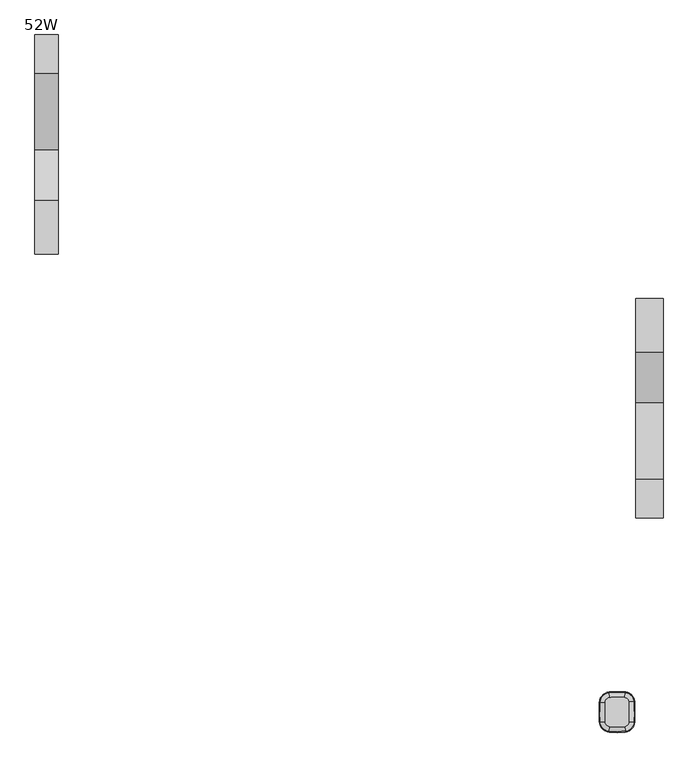
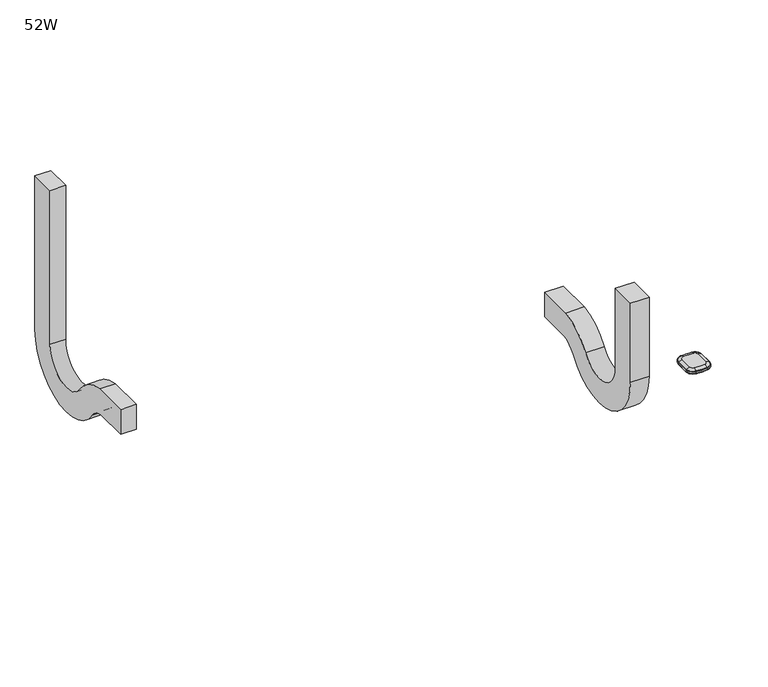
"""IFC4 building model written with IfcOpenShell, lengths in millimetres: furniture geometry, 52W."""

import ifcopenshell
import ifcopenshell.guid

model = None  # the IFC model being written
_history = None  # IfcOwnerHistory: only IFC2X3 demands one
_inside = {}  # id of a spatial element -> (the spatial element, [elements in it])
_under = {}  # id of a project, library or spatial element -> (it, [spatial elements below it])
_declared = {}  # id of a project -> (the project, [libraries it declares])
_typed = {}  # id of a type object -> (the type object, [elements of that type])
_made_of = {}  # id of a material, layer set ... -> (it, [elements and type objects made of it])


def new_model(schema):
    """Start an empty IFC model of exactly this schema.

    Asked for "IFC4X3", IfcOpenShell would pick the latest addendum, in which some entities
    have other attributes; the version numbers below select the first issue.
    IFC2X3 requires an IfcOwnerHistory on every rooted entity: one is made here for all.
    """
    global model, _history
    if schema == "IFC4X3":
        model = ifcopenshell.file(schema_version=(4, 3, 0, 0))
    else:
        model = ifcopenshell.file(schema=schema)
    _inside.clear()
    _under.clear()
    _declared.clear()
    _typed.clear()
    _made_of.clear()
    _history = None
    if model.schema == "IFC2X3":
        org = make("IfcOrganization", Name="unknown")
        user = make(
            "IfcPersonAndOrganization",
            ThePerson=make("IfcPerson", FamilyName="unknown"),
            TheOrganization=org,
        )
        app = make(
            "IfcApplication",
            ApplicationDeveloper=org,
            Version="unknown",
            ApplicationFullName="unknown",
            ApplicationIdentifier="unknown",
        )
        _history = make(
            "IfcOwnerHistory",
            OwningUser=user,
            OwningApplication=app,
            ChangeAction="ADDED",
            CreationDate=0,
        )
    return model


def make(cls, **values):
    """One entity of the class cls with the attributes given. An attribute that is None is left unset."""
    return model.create_entity(
        cls, **{name: value for name, value in values.items() if value is not None}
    )


def rooted(cls, **values):
    """An entity with a GlobalId (a new one), such as an element, a storey or a relation."""
    return make(cls, GlobalId=ifcopenshell.guid.new(), OwnerHistory=_history, **values)


def si_unit(unit_type, name, prefix=None):
    """IfcSIUnit, for example si_unit("LENGTHUNIT", "METRE", prefix="MILLI")."""
    return make("IfcSIUnit", UnitType=unit_type, Prefix=prefix, Name=name)


def assignment(units):
    """IfcUnitAssignment: the units of a project."""
    return None if units is None else make("IfcUnitAssignment", Units=units)


def point(xyz):
    """IfcCartesianPoint."""
    return None if xyz is None else make("IfcCartesianPoint", Coordinates=xyz)


def direction(xyz):
    """IfcDirection."""
    return None if xyz is None else make("IfcDirection", DirectionRatios=xyz)


def frame(location, z_axis=None, x_axis=None):
    """IfcAxis2Placement3D, a coordinate frame: its origin and axes. An axis left out is left unset."""
    return make(
        "IfcAxis2Placement3D",
        Location=point(location),
        Axis=direction(z_axis),
        RefDirection=direction(x_axis),
    )


def frame_2d(location, x_axis=None):
    """IfcAxis2Placement2D, a coordinate frame in the plane: its origin and x axis."""
    return make(
        "IfcAxis2Placement2D", Location=point(location), RefDirection=direction(x_axis)
    )


def origin():
    """The frame at (0, 0, 0) with its axes left unset."""
    return frame((0.0, 0.0, 0.0))


def place(relative_to, where):
    """IfcLocalPlacement: puts the frame where relative to a parent placement (None: the world)."""
    return make(
        "IfcLocalPlacement", PlacementRelTo=relative_to, RelativePlacement=where
    )


def context(
    kind, dimensions, precision=None, world=None, true_north=None, identifier=None
):
    """IfcGeometricRepresentationContext, for example the 3D "Model" context."""
    return make(
        "IfcGeometricRepresentationContext",
        ContextIdentifier=identifier,
        ContextType=kind,
        CoordinateSpaceDimension=dimensions,
        Precision=precision,
        WorldCoordinateSystem=world,
        TrueNorth=true_north,
    )


def project(units=None, contexts=None):
    """IfcProject with its units and contexts."""
    return rooted(
        "IfcProject",
        Name="project",
        RepresentationContexts=contexts,
        UnitsInContext=assignment(units),
    )


def spatial(cls, under=None, at=None, **own):
    """A site, building, storey or space (cls), placed at a placement, below another one or the project."""
    s = rooted(cls, ObjectPlacement=at, **own)
    if under is not None:
        _under.setdefault(under.id(), (under, []))[1].append(s)
    return s


def polyline(points):
    """IfcPolyline through the points."""
    return make("IfcPolyline", Points=[point(p) for p in points])


def circle_curve(where, radius):
    """IfcCircle in the frame where."""
    return make("IfcCircle", Position=where, Radius=radius)


def ellipse_curve(where, semi_axis1, semi_axis2):
    """IfcEllipse in the frame where."""
    return make(
        "IfcEllipse", Position=where, SemiAxis1=semi_axis1, SemiAxis2=semi_axis2
    )


def trimmed(basis, trim1, trim2, sense, master):
    """IfcTrimmedCurve: the piece of a basis curve between two trims."""
    return make(
        "IfcTrimmedCurve",
        BasisCurve=basis,
        Trim1=trim1,
        Trim2=trim2,
        SenseAgreement=sense,
        MasterRepresentation=master,
    )


def segment(curve, same_sense, transition):
    """IfcCompositeCurveSegment."""
    return make(
        "IfcCompositeCurveSegment",
        Transition=transition,
        SameSense=same_sense,
        ParentCurve=curve,
    )


def composite_curve(segments, self_intersect=None):
    """IfcCompositeCurve: segments joined end to end."""
    return make("IfcCompositeCurve", Segments=segments, SelfIntersect=self_intersect)


def outline(outer, holes=None, kind="AREA"):
    """IfcArbitraryClosedProfileDef: a profile drawn as a closed curve; with holes, ...WithVoids."""
    if holes is None:
        return make("IfcArbitraryClosedProfileDef", ProfileType=kind, OuterCurve=outer)
    return make(
        "IfcArbitraryProfileDefWithVoids",
        ProfileType=kind,
        OuterCurve=outer,
        InnerCurves=holes,
    )


def extrude(swept, where, along, depth):
    """IfcExtrudedAreaSolid: the profile swept, set in the frame where, extruded along a direction by depth."""
    return make(
        "IfcExtrudedAreaSolid",
        SweptArea=swept,
        Position=where,
        ExtrudedDirection=direction(along),
        Depth=depth,
    )


def shape(context_of_items, identifier, shape_type, items):
    """IfcShapeRepresentation: the items that make up one representation, for example the "Body"."""
    return make(
        "IfcShapeRepresentation",
        ContextOfItems=context_of_items,
        RepresentationIdentifier=identifier,
        RepresentationType=shape_type,
        Items=items,
    )


def source(mapping_origin, context_of_items, identifier, shape_type, items):
    """IfcRepresentationMap: a shape defined once, which mapped items show again and again."""
    return make(
        "IfcRepresentationMap",
        MappingOrigin=mapping_origin,
        MappedRepresentation=shape(context_of_items, identifier, shape_type, items),
    )


def transform(
    local_origin,
    x_axis=None,
    y_axis=None,
    z_axis=None,
    scale=None,
    scale2=None,
    scale3=None,
    uniform=True,
):
    """IfcCartesianTransformationOperator3D, or its non-uniform kind. x_axis, y_axis, z_axis: its Axis1, 2, 3."""
    if uniform:
        return make(
            "IfcCartesianTransformationOperator3D",
            Axis1=direction(x_axis),
            Axis2=direction(y_axis),
            LocalOrigin=point(local_origin),
            Scale=scale,
            Axis3=direction(z_axis),
        )
    return make(
        "IfcCartesianTransformationOperator3DnonUniform",
        Axis1=direction(x_axis),
        Axis2=direction(y_axis),
        LocalOrigin=point(local_origin),
        Scale=scale,
        Axis3=direction(z_axis),
        Scale2=scale2,
        Scale3=scale3,
    )


def mapped(mapping_source, mapping_target):
    """IfcMappedItem: shows the shape of a source again, moved by a transform."""
    return make(
        "IfcMappedItem", MappingSource=mapping_source, MappingTarget=mapping_target
    )


def made_of(thing, what):
    """Note that an element or type object is made of a material, layer set ...; save() writes the relation."""
    if what is not None:
        _made_of.setdefault(what.id(), (what, []))[1].append(thing)
    return thing


def element(
    cls,
    number,
    at=None,
    inside=None,
    cuts=None,
    type_object=None,
    material=None,
    context=None,
    identifier="Body",
    shape_type=None,
    held_by="IfcProductDefinitionShape",
    body=None,
    shapes=None,
    **own,
):
    """One element of the class cls, such as IfcWall. Its Tag is "e" and its number.

    at: its placement. inside: the storey or other place that contains it. cuts: it is an
    opening in that element (IfcRelVoidsElement). A single representation is given by context,
    identifier, shape_type and body (its items); several are given by shapes. held_by: the class
    of the entity that holds the representations. save() writes the other relations.
    """
    e = rooted(cls, Tag="e%d" % number, ObjectPlacement=at, **own)
    if body is not None:
        shapes = [shape(context, identifier, shape_type, body)]
    if shapes is not None:
        e.Representation = make(held_by, Representations=shapes)
    if inside is not None:
        _inside.setdefault(inside.id(), (inside, []))[1].append(e)
    if cuts is not None:
        rooted(
            "IfcRelVoidsElement", RelatingBuildingElement=cuts, RelatedOpeningElement=e
        )
    if type_object is not None:
        _typed.setdefault(type_object.id(), (type_object, []))[1].append(e)
    return made_of(e, material)


def aggregate(whole, parts):
    """IfcRelAggregates: a whole, such as a stair, and the parts it consists of."""
    return rooted("IfcRelAggregates", RelatingObject=whole, RelatedObjects=parts)


def save(model, path):
    """Write the relations noted so far, then the file.

    IfcRelAggregates (storeys below a building ...), IfcRelContainedInSpatialStructure (elements
    in a storey), IfcRelDefinesByType, IfcRelAssociatesMaterial and IfcRelDeclares: one each for
    every whole, place, type object, material and project.
    """
    for whole, parts in _under.values():
        aggregate(whole, parts)
    for where, things in _inside.values():
        rooted(
            "IfcRelContainedInSpatialStructure",
            RelatedElements=things,
            RelatingStructure=where,
        )
    for kind, things in _typed.values():
        rooted("IfcRelDefinesByType", RelatedObjects=things, RelatingType=kind)
    for what, things in _made_of.values():
        rooted("IfcRelAssociatesMaterial", RelatedObjects=things, RelatingMaterial=what)
    for by, libraries in _declared.values():
        rooted("IfcRelDeclares", RelatingContext=by, RelatedDefinitions=libraries)
    model.write(path)


def plane_surface(at):
    """IfcPlane: the flat surface through the origin of the frame at, square to its z axis."""
    return make("IfcPlane", Position=at)


def revolved_surface(curve, axis_point, axis_direction):
    """IfcSurfaceOfRevolution: the curve turned about the line through axis_point along axis_direction."""
    return make(
        "IfcSurfaceOfRevolution",
        SweptCurve=make("IfcArbitraryOpenProfileDef", ProfileType="CURVE", Curve=curve),
        AxisPosition=make("IfcAxis1Placement", Location=point(axis_point), Axis=direction(axis_direction)),
    )


def advanced_brep(points, edges, surfaces, faces):
    """IfcAdvancedBrep: a solid bounded by faces that lie on surfaces and meet in shared edges.

    An edge is (start, end): straight between two places in points (the first is 0);
    or (start, end, curve); or (start, end, curve, False) where it runs against its curve.
    A face is (place in surfaces, loops), or (place, loops, False) where it looks against
    its surface's normal. A loop lists edges by number (the first is 1), with a minus sign
    where the edge is run from its end to its start. The first loop is the outer one.
    """
    corners = [point(p) for p in points]
    vertices = [make("IfcVertexPoint", VertexGeometry=c) for c in corners]
    made = []
    for start, end, *more in edges:
        made.append(
            make(
                "IfcEdgeCurve",
                EdgeStart=vertices[start],
                EdgeEnd=vertices[end],
                EdgeGeometry=more[0] if more else make("IfcPolyline", Points=[corners[start], corners[end]]),
                SameSense=more[1] if len(more) > 1 else True,
            )
        )
    hull = []
    for where, loops, *sense in faces:
        bounds = []
        for j, loop in enumerate(loops):
            ring = [make("IfcOrientedEdge", EdgeElement=made[abs(k) - 1], Orientation=k > 0) for k in loop]
            bounds.append(
                make(
                    "IfcFaceOuterBound" if j == 0 else "IfcFaceBound",
                    Bound=make("IfcEdgeLoop", EdgeList=ring),
                    Orientation=True,
                )
            )
        hull.append(make("IfcAdvancedFace", Bounds=bounds, FaceSurface=surfaces[where], SameSense=sense[0] if sense else True))
    return make("IfcAdvancedBrep", Outer=make("IfcClosedShell", CfsFaces=hull))


def furniture_52w_cf4c58be(model_context):
    return source(origin(), model_context, "Body", "SolidModel", [
        extrude(outline(composite_curve([segment(polyline([(-362.6002405, 626.0817412), (-296.7829354, 626.0817412), (-296.7829354, 414.9770521)]), True, "CONTINUOUS"), segment(trimmed(circle_curve(frame_2d((-225.2196812, 414.9770521)), 71.5632541), [point((-296.7829354, 414.9770521))], [point((-166.1254795, 374.6140162))], True, "CARTESIAN"), True, "CONTINUOUS"), segment(trimmed(circle_curve(frame_2d((-62.1606652, 303.6030641)), 125.9016995), [point((-166.1254795, 374.6140162))], [point((-79.3250904, 428.329246))], False, "CARTESIAN"), True, "CONTINUOUS"), segment(polyline([(-79.3250904, 428.329246), (12.7, 428.329246), (12.7, 362.5119408), (-73.9876973, 362.5119408)]), True, "CONTINUOUS"), segment(trimmed(circle_curve(frame_2d((-62.1606652, 303.6030641)), 60.0843944), [point((-73.9876973, 362.5119408))], [point((-111.776063, 337.4918048))], True, "CARTESIAN"), True, "CONTINUOUS"), segment(trimmed(circle_curve(frame_2d((-225.2196812, 414.9770521)), 137.3805593), [point((-111.776063, 337.4918048))], [point((-362.6002405, 414.9770521))], False, "CARTESIAN"), True, "CONTINUOUS"), segment(polyline([(-362.6002405, 414.9770521), (-362.6002405, 626.0817412)]), True, "CONTINUOUS")], self_intersect=False)), frame((495.3, 0.0, 0.0), z_axis=(1.0, 0.0, 0.0), x_axis=(0.0, 1.0, 0.0)), (0.0, 0.0, 1.0), 47.095808),
        extrude(outline(composite_curve([segment(polyline([(398.3829354, 825.7270035), (464.2002405, 825.7270035), (464.2002405, 414.9770521)]), True, "CONTINUOUS"), segment(trimmed(circle_curve(frame_2d((326.8196812, 414.9770521)), 137.3805593), [point((464.2002405, 414.9770521))], [point((213.376063, 337.4918048))], False, "CARTESIAN"), True, "CONTINUOUS"), segment(trimmed(circle_curve(frame_2d((163.7606652, 303.6030641)), 60.0843944), [point((213.376063, 337.4918048))], [point((175.5876973, 362.5119408))], True, "CARTESIAN"), True, "CONTINUOUS"), segment(polyline([(175.5876973, 362.5119408), (88.9, 362.5119408), (88.9, 428.329246), (180.9250904, 428.329246)]), True, "CONTINUOUS"), segment(trimmed(circle_curve(frame_2d((163.7606652, 303.6030641)), 125.9016995), [point((180.9250904, 428.329246))], [point((267.7254795, 374.6140162))], False, "CARTESIAN"), True, "CONTINUOUS"), segment(trimmed(circle_curve(frame_2d((326.8196812, 414.9770521)), 71.5632541), [point((267.7254795, 374.6140162))], [point((398.3829354, 414.9770521))], True, "CARTESIAN"), True, "CONTINUOUS"), segment(polyline([(398.3829354, 414.9770521), (398.3829354, 825.7270035)]), True, "CONTINUOUS")], self_intersect=False)), frame((-532.5504395, 0.0, 0.0), z_axis=(1.0, 0.0, 0.0), x_axis=(0.0, 1.0, 0.0)), (0.0, 0.0, 1.0), 39.6623077),
        advanced_brep(
        [(477.6115374, -720.1187209, 686.2002905), (478.7543179, -727.7731833, 683.3834162), (492.2427261, -712.8735148, 683.3834162), (484.5126626, -712.4955473, 686.2002905), (493.50939, -712.9354493, 681.9527708), (478.9415762, -729.0274591, 681.9527708), (478.9660814, -729.1915975, 677.6840916), (493.6751497, -712.9435543, 677.6840916), (492.0943896, -677.2891615, 683.3834162), (484.3677458, -677.7315617, 686.2002905), (493.5261794, -677.2071824, 677.6840916), (493.3604931, -677.216669, 681.9527708), (477.9675965, -662.5236904, 683.3834162), (477.1841927, -670.2232371, 686.2002905), (478.1127656, -661.0969218, 677.6840916), (478.0959667, -661.262027, 681.9527708), (450.6358016, -662.3431655, 683.3834162), (451.3174314, -670.0523886, 686.2002905), (450.5094919, -660.9146037, 677.6840916), (450.5241084, -661.0799165, 681.9527708), (434.9085802, -678.6378217, 683.3834162), (442.6371131, -679.045891, 686.2002905), (433.4764403, -678.5622041, 677.6840916), (433.6421671, -678.5709546, 681.9527708), (434.7872101, -711.9795758, 683.3834162), (442.518509, -711.6277831, 686.2002905), (433.3545576, -712.0447649, 677.6840916), (433.5203437, -712.0372213, 681.9527708), (449.306564, -727.9163084, 683.3834162), (450.3748861, -720.2510994, 686.2002905), (449.1085979, -729.3367141, 677.6840916), (449.1315065, -729.1723451, 681.9527708), (493.3250419, -712.9264355, 676.940773), (478.914323, -728.8449139, 676.940773), (477.6115374, -720.1187209, 673.4999998), (484.5126626, -712.4955473, 673.4999998), (484.3677458, -677.7315617, 673.4999998), (493.1762266, -677.2272194, 676.940773), (477.1841927, -670.2232371, 673.4999998), (478.0772839, -661.4456474, 676.940773), (451.3174314, -670.0523886, 673.4999998), (450.540364, -661.2637676, 676.940773), (442.6371131, -679.045891, 673.4999998), (433.8264787, -678.5806863, 676.940773), (442.518509, -711.6277831, 673.4999998), (433.7047213, -712.0288317, 676.940773), (450.3748861, -720.2510994, 673.4999998), (449.1569841, -728.9895437, 676.940773)],
        [
            (0, 1),
            (1, 2, circle_curve(frame((476.4143107, -712.0995721, 683.3834162), z_axis=(0.0, 0.0, 1.0), x_axis=(0.1476594373655488, -0.9890382654664528, 0.0)), 15.8473253)),
            (2, 3),
            (3, 0, circle_curve(frame((476.4143107, -712.0995721, 686.1999998), z_axis=(0.0, 0.0, -1.0), x_axis=(0.1476594373655488, -0.9890382654664528, 0.0)), 8.1088255)),
            (4, 5, circle_curve(frame((476.4143107, -712.0995721, 681.9527708), z_axis=(0.0, 0.0, -1.0), x_axis=(0.1476594373655488, -0.9890382654664528, 0.0)), 17.1155025)),
            (5, 6, circle_curve(frame((477.3147111, -718.1305475, 679.3868597), z_axis=(0.9890382654664528, 0.14765943736554882, 0.0), x_axis=(-0.14765943736554882, 0.9890382654664528, 0.0)), 11.3125272)),
            (6, 7, circle_curve(frame((476.4143107, -712.0995721, 677.6840916), z_axis=(0.0, 0.0, 1.0), x_axis=(0.1476594373655488, -0.9890382654664528, 0.0)), 17.2814602)),
            (7, 4, circle_curve(frame((482.5048525, -712.3973739, 679.3868597), z_axis=(-0.048837433538175434, -0.9988067406087148, 0.0), x_axis=(-0.9988067406087148, 0.048837433538175434, 0.0)), 11.3125272)),
            (1, 5, circle_curve(frame((478.6529657, -727.0943157, 681.4975708), z_axis=(0.9890382654664528, 0.14765943736554882, 0.0), x_axis=(-0.14765943736554882, 0.9890382654664528, 0.0)), 2.0068747)),
            (4, 2, circle_curve(frame((491.5571536, -712.8399932, 681.4975708), z_axis=(-0.048837433538182984, -0.9988067406087143, 0.0), x_axis=(-0.9988067406087143, 0.048837433538182984, 0.0)), 2.0068747)),
            (2, 8, circle_curve(frame((156.9426653, -696.4787572, 683.3834162), z_axis=(0.0, 0.0, 1.0), x_axis=(0.9988067406087116, -0.04883743353824024, 0.0)), 335.7006387)),
            (8, 9),
            (9, 3, circle_curve(frame((156.9426653, -696.4787572, 686.1999998), z_axis=(0.0, 0.0, -1.0), x_axis=(0.9988067406087116, -0.04883743353824024, 0.0)), 327.9621389)),
            (7, 10, circle_curve(frame((156.9426653, -696.4787572, 677.6840916), z_axis=(0.0, 0.0, 1.0), x_axis=(0.9988067406087116, -0.04883743353824024, 0.0)), 337.1347736)),
            (10, 11, circle_curve(frame((482.360824, -677.8464709, 679.3868597), z_axis=(0.057162821296979055, -0.9983648691041616, 0.0), x_axis=(-0.9983648691041616, -0.057162821296979055, 0.0)), 11.3125272)),
            (11, 4, circle_curve(frame((156.9426653, -696.4787572, 681.9527708), z_axis=(0.0, 0.0, -1.0), x_axis=(0.9988067406087116, -0.04883743353824024, 0.0)), 336.9688159)),
            (11, 8, circle_curve(frame((491.4091203, -677.3283976, 681.4975708), z_axis=(0.057162821296978604, -0.9983648691041617, 0.0), x_axis=(-0.9983648691041617, -0.057162821296978604, 0.0)), 2.0068747)),
            (8, 12, circle_curve(frame((476.3736743, -678.1892738, 683.3834162), z_axis=(0.0, 0.0, 1.0), x_axis=(0.9983648691041614, 0.05716282129698137, 0.0)), 15.7464628)),
            (12, 13),
            (13, 9, circle_curve(frame((476.3736743, -678.1892738, 686.1999998), z_axis=(0.0, 0.0, -1.0), x_axis=(0.9983648691041614, 0.05716282129698137, 0.0)), 8.0079629)),
            (10, 14, circle_curve(frame((476.3736743, -678.1892738, 677.6840916), z_axis=(0.0, 0.0, 1.0), x_axis=(0.9983648691041614, 0.05716282129698137, 0.0)), 17.1805977)),
            (14, 15, circle_curve(frame((476.980711, -672.2231208, 679.3868597), z_axis=(0.9948636454160275, -0.10122414252308043, 0.0), x_axis=(-0.10122414252308043, -0.9948636454160275, 0.0)), 11.3125272)),
            (15, 11, circle_curve(frame((476.3736743, -678.1892738, 681.9527708), z_axis=(0.0, 0.0, -1.0), x_axis=(0.9983648691041614, 0.05716282129698137, 0.0)), 17.01464)),
            (15, 12, circle_curve(frame((477.8981171, -663.2065564, 681.4975708), z_axis=(0.9948636454160269, -0.10122414252308576, 0.0), x_axis=(-0.10122414252308576, -0.9948636454160269, 0.0)), 2.0068747)),
            (12, 16, circle_curve(frame((463.3523463, -806.1671014, 683.3834162), z_axis=(0.0, 0.0, 1.0), x_axis=(0.10122414252308336, 0.9948636454160271, 0.0)), 144.3850237)),
            (16, 17),
            (17, 13, circle_curve(frame((463.3523463, -806.1671014, 686.1999998), z_axis=(0.0, 0.0, -1.0), x_axis=(0.10122414252308336, 0.9948636454160271, 0.0)), 136.6465238)),
            (14, 18, circle_curve(frame((463.3523463, -806.1671014, 677.6840916), z_axis=(0.0, 0.0, 1.0), x_axis=(0.10122414252308336, 0.9948636454160271, 0.0)), 145.8191585)),
            (18, 19, circle_curve(frame((451.4944783, -672.0547856, 679.3868597), z_axis=(0.996113947934043, 0.08807384816876526, 0.0), x_axis=(0.08807384816876526, -0.996113947934043, 0.0)), 11.3125272)),
            (19, 15, circle_curve(frame((463.3523463, -806.1671014, 681.9527708), z_axis=(0.0, 0.0, -1.0), x_axis=(0.10122414252308336, 0.9948636454160271, 0.0)), 145.6532009)),
            (19, 16, circle_curve(frame((450.6962548, -663.0268897, 681.4975708), z_axis=(0.9961139479340431, 0.08807384816876489, 0.0), x_axis=(0.08807384816876489, -0.9961139479340431, 0.0)), 2.0068747)),
            (16, 20, circle_curve(frame((452.1570575, -679.5485475, 683.3834162), z_axis=(0.0, 0.0, 1.0), x_axis=(-0.08807384816876603, 0.996113947934043, 0.0)), 17.2725039)),
            (20, 21),
            (21, 17, circle_curve(frame((452.1570575, -679.5485475, 686.1999998), z_axis=(0.0, 0.0, -1.0), x_axis=(-0.08807384816876603, 0.996113947934043, 0.0)), 9.534004)),
            (18, 22, circle_curve(frame((452.1570575, -679.5485475, 677.6840916), z_axis=(0.0, 0.0, 1.0), x_axis=(-0.08807384816876603, 0.996113947934043, 0.0)), 18.7066388)),
            (22, 23, circle_curve(frame((444.6445256, -679.1518831, 679.3868597), z_axis=(0.0527269152255881, 0.9986089687213878, 0.0), x_axis=(0.9986089687213878, -0.0527269152255881, 0.0)), 11.3125272)),
            (23, 19, circle_curve(frame((452.1570575, -679.5485475, 681.9527708), z_axis=(0.0, 0.0, -1.0), x_axis=(-0.08807384816876603, 0.996113947934043, 0.0)), 18.5406811)),
            (23, 20, circle_curve(frame((435.594017, -678.674013, 681.4975708), z_axis=(0.05272691522559206, 0.9986089687213877, 0.0), x_axis=(0.9986089687213877, -0.05272691522559206, 0.0)), 2.0068747)),
            (20, 24, circle_curve(frame((774.026514, -696.5433714, 683.3834162), z_axis=(0.0, 0.0, 1.0), x_axis=(-0.9986089687213847, 0.05272691522564658, 0.0)), 339.5903145)),
            (24, 25),
            (25, 21, circle_curve(frame((774.026514, -696.5433714, 686.1999998), z_axis=(0.0, 0.0, -1.0), x_axis=(-0.9986089687213847, 0.05272691522564658, 0.0)), 331.8518146)),
            (22, 26, circle_curve(frame((774.026514, -696.5433714, 677.6840916), z_axis=(0.0, 0.0, 1.0), x_axis=(-0.9986089687213847, 0.05272691522564658, 0.0)), 341.0244494)),
            (26, 27, circle_curve(frame((444.52664, -711.5364083, 679.3868597), z_axis=(-0.04545537307656789, 0.998966370334092, 0.0), x_axis=(0.998966370334092, 0.04545537307656789, 0.0)), 11.3125272)),
            (27, 23, circle_curve(frame((774.026514, -696.5433714, 681.9527708), z_axis=(0.0, 0.0, -1.0), x_axis=(-0.9986089687213847, 0.05272691522564658, 0.0)), 340.8584917)),
            (27, 24, circle_curve(frame((435.4728922, -711.9483756, 681.4975708), z_axis=(-0.045455373076567544, 0.9989663703340919, 0.0), x_axis=(0.9989663703340919, 0.045455373076567544, 0.0)), 2.0068747)),
            (24, 28, circle_curve(frame((451.6345546, -711.2129811, 683.3834162), z_axis=(0.0, 0.0, 1.0), x_axis=(-0.9989663703340921, -0.045455373076564755, 0.0)), 16.8647764)),
            (28, 29),
            (29, 25, circle_curve(frame((451.6345546, -711.2129811, 686.1999998), z_axis=(0.0, 0.0, -1.0), x_axis=(-0.9989663703340921, -0.045455373076564755, 0.0)), 9.1262765)),
            (26, 30, circle_curve(frame((451.6345546, -711.2129811, 677.6840916), z_axis=(0.0, 0.0, 1.0), x_axis=(-0.9989663703340921, -0.045455373076564755, 0.0)), 18.2989113)),
            (30, 31, circle_curve(frame((450.6523726, -718.2601347, 679.3868597), z_axis=(-0.9904268457768627, 0.13803862924737725, 0.0), x_axis=(0.13803862924737725, 0.9904268457768627, 0.0)), 11.3125272)),
            (31, 27, circle_curve(frame((451.6345546, -711.2129811, 681.9527708), z_axis=(0.0, 0.0, -1.0), x_axis=(-0.9989663703340921, -0.045455373076564755, 0.0)), 18.1329536)),
            (31, 28, circle_curve(frame((449.4013125, -727.2364878, 681.4975708), z_axis=(-0.9904268457768625, 0.13803862924737836, 0.0), x_axis=(0.13803862924737836, 0.9904268457768625, 0.0)), 2.0068747)),
            (0, 29, circle_curve(frame((463.5346182, -625.8300522, 686.1999998), z_axis=(0.0, 0.0, -1.0), x_axis=(-0.13803862924737878, -0.9904268457768624, 0.0)), 95.33449)),
            (28, 1, circle_curve(frame((463.5346182, -625.8300522, 683.3834162), z_axis=(0.0, 0.0, 1.0), x_axis=(-0.13803862924737878, -0.9904268457768624, 0.0)), 103.0729899)),
            (5, 31, circle_curve(frame((463.5346182, -625.8300522, 681.9527708), z_axis=(0.0, 0.0, -1.0), x_axis=(-0.13803862924737878, -0.9904268457768624, 0.0)), 104.3411671)),
            (30, 6, circle_curve(frame((463.5346182, -625.8300522, 677.6840916), z_axis=(0.0, 0.0, 1.0), x_axis=(-0.13803862924737878, -0.9904268457768624, 0.0)), 104.5071248)),
            (32, 33, circle_curve(frame((476.4143107, -712.0995721, 676.940773), z_axis=(0.0, 0.0, -1.0), x_axis=(0.1476594373655488, -0.9890382654664528, 0.0)), 16.9309342)),
            (33, 34, circle_curve(frame((477.761296, -721.1218192, 683.9316594), z_axis=(0.9890382654664528, 0.14765943736554882, 0.0), x_axis=(-0.14765943736554882, 0.9890382654664528, 0.0)), 10.4808471)),
            (34, 35, circle_curve(frame((476.4143107, -712.0995721, 673.4999998), z_axis=(0.0, 0.0, 1.0), x_axis=(0.1476594373655488, -0.9890382654664528, 0.0)), 8.1080269)),
            (35, 32, circle_curve(frame((485.5256682, -712.545079, 683.9316594), z_axis=(-0.04883743353810335, -0.9988067406087182, 0.0), x_axis=(-0.9988067406087182, 0.04883743353810335, 0.0)), 10.4808471)),
            (6, 33, circle_curve(frame((478.755997, -727.7844301, 677.9007148), z_axis=(0.9890382654664528, 0.14765943736554882, 0.0), x_axis=(-0.14765943736554882, 0.9890382654664528, 0.0)), 1.4391599)),
            (32, 7, circle_curve(frame((492.2540841, -712.8740702, 677.9007148), z_axis=(-0.048837433538165, -0.9988067406087151, 0.0), x_axis=(-0.9988067406087151, 0.048837433538165, 0.0)), 1.4391599)),
            (35, 36, circle_curve(frame((156.9426653, -696.4787572, 673.4999998), z_axis=(0.0, 0.0, 1.0), x_axis=(0.9988067406087116, -0.04883743353824024, 0.0)), 327.9613402)),
            (36, 37, circle_curve(frame((485.3803033, -677.6735862, 683.9316594), z_axis=(0.05716282129697852, -0.9983648691041617, 0.0), x_axis=(-0.9983648691041617, -0.05716282129697852, 0.0)), 10.4808471)),
            (37, 32, circle_curve(frame((156.9426653, -696.4787572, 676.940773), z_axis=(0.0, 0.0, -1.0), x_axis=(0.9988067406087116, -0.04883743353824024, 0.0)), 336.7842476)),
            (37, 10, circle_curve(frame((492.1057425, -677.2885115, 677.9007148), z_axis=(0.05716282129697867, -0.9983648691041617, 0.0), x_axis=(-0.9983648691041617, -0.05716282129697867, 0.0)), 1.4391599)),
            (36, 38, circle_curve(frame((476.3736743, -678.1892738, 673.4999998), z_axis=(0.0, 0.0, 1.0), x_axis=(0.9983648691041614, 0.05716282129698137, 0.0)), 8.0071643)),
            (38, 39, circle_curve(frame((477.2868558, -669.2142307, 683.9316594), z_axis=(0.9948636454160271, -0.10122414252308332, 0.0), x_axis=(-0.10122414252308332, -0.9948636454160271, 0.0)), 10.4808471)),
            (39, 37, circle_curve(frame((476.3736743, -678.1892738, 676.940773), z_axis=(0.0, 0.0, -1.0), x_axis=(0.9983648691041614, 0.05716282129698137, 0.0)), 16.8300716)),
            (39, 14, circle_curve(frame((477.9687476, -662.5123773, 677.9007148), z_axis=(0.994863645416027, -0.1012241425230844, 0.0), x_axis=(-0.1012241425230844, -0.994863645416027, 0.0)), 1.4391599)),
            (38, 40, circle_curve(frame((463.3523463, -806.1671014, 673.4999998), z_axis=(0.0, 0.0, 1.0), x_axis=(0.10122414252308336, 0.9948636454160271, 0.0)), 136.6457252)),
            (40, 41, circle_curve(frame((451.2281056, -669.0421141, 683.9316594), z_axis=(0.9961139479340431, 0.08807384816876511, 0.0), x_axis=(0.08807384816876511, -0.9961139479340431, 0.0)), 10.4808471)),
            (41, 39, circle_curve(frame((463.3523463, -806.1671014, 676.940773), z_axis=(0.0, 0.0, -1.0), x_axis=(0.10122414252308336, 0.9948636454160271, 0.0)), 145.4686325)),
            (41, 18, circle_curve(frame((450.6348001, -662.3318381, 677.9007148), z_axis=(0.996113947934043, 0.08807384816876532, 0.0), x_axis=(0.08807384816876532, -0.996113947934043, 0.0)), 1.4391599)),
            (40, 42, circle_curve(frame((452.1570575, -679.5485475, 673.4999998), z_axis=(0.0, 0.0, 1.0), x_axis=(-0.08807384816876603, 0.996113947934043, 0.0)), 9.5332054)),
            (42, 43, circle_curve(frame((441.6243081, -678.9924145, 683.9316594), z_axis=(0.052726915225535964, 0.9986089687213906, 0.0), x_axis=(0.9986089687213906, -0.052726915225535964, 0.0)), 10.4808471)),
            (43, 41, circle_curve(frame((452.1570575, -679.5485475, 676.940773), z_axis=(0.0, 0.0, -1.0), x_axis=(-0.08807384816876603, 0.996113947934043, 0.0)), 18.3561127)),
            (43, 22, circle_curve(frame((434.8972245, -678.6372221, 677.9007148), z_axis=(0.05272691522558652, 0.9986089687213879, 0.0), x_axis=(0.9986089687213879, -0.05272691522558652, 0.0)), 1.4391599)),
            (42, 44, circle_curve(frame((774.026514, -696.5433714, 673.4999998), z_axis=(0.0, 0.0, 1.0), x_axis=(-0.9986089687213847, 0.05272691522564658, 0.0)), 331.851016)),
            (44, 45, circle_curve(frame((441.5053415, -711.6738847, 683.9316594), z_axis=(-0.04545537307656799, 0.998966370334092, 0.0), x_axis=(0.998966370334092, 0.04545537307656799, 0.0)), 10.4808471)),
            (45, 43, circle_curve(frame((774.026514, -696.5433714, 676.940773), z_axis=(0.0, 0.0, -1.0), x_axis=(-0.9986089687213847, 0.05272691522564658, 0.0)), 340.6739233)),
            (45, 26, circle_curve(frame((434.7758503, -711.9800927, 677.9007148), z_axis=(-0.04545537307656811, 0.998966370334092, 0.0), x_axis=(0.998966370334092, 0.04545537307656811, 0.0)), 1.4391599)),
            (44, 46, circle_curve(frame((451.6345546, -711.2129811, 673.4999998), z_axis=(0.0, 0.0, 1.0), x_axis=(-0.9989663703340921, -0.045455373076564755, 0.0)), 9.1254779)),
            (46, 47, circle_curve(frame((450.2348851, -721.255606, 683.9316594), z_axis=(-0.9904268457768617, 0.13803862924738405, 0.0), x_axis=(0.13803862924738405, 0.9904268457768617, 0.0)), 10.4808471)),
            (47, 45, circle_curve(frame((451.6345546, -711.2129811, 676.940773), z_axis=(0.0, 0.0, -1.0), x_axis=(-0.9989663703340921, -0.045455373076564755, 0.0)), 17.9483852)),
            (47, 30, circle_curve(frame((449.3049942, -727.9275711, 677.9007148), z_axis=(-0.9904268457768625, 0.1380386292473788, 0.0), x_axis=(0.1380386292473788, 0.9904268457768625, 0.0)), 1.4391599)),
            (33, 47, circle_curve(frame((463.5346182, -625.8300522, 676.940773), z_axis=(0.0, 0.0, -1.0), x_axis=(-0.13803862924737878, -0.9904268457768624, 0.0)), 104.1565987)),
            (46, 34, circle_curve(frame((463.5346182, -625.8300522, 673.4999998), z_axis=(0.0, 0.0, 1.0), x_axis=(-0.13803862924737878, -0.9904268457768624, 0.0)), 95.3336914)),
        ],
        [
            revolved_surface(polyline([(478.7543179, -727.7731833, 683.3834162), (477.6115374, -720.1187209, 686.2002905)]), (476.4143107, -712.0995721, 0.0), (0.0, 0.0, 1.0)),
            revolved_surface(trimmed(ellipse_curve(frame((477.3147111, -718.1305475, 679.3868597), z_axis=(-0.9890382654664528, -0.14765943736554882, 0.0), x_axis=(-0.14765943736554882, 0.9890382654664528, 0.0)), 11.3125272, 11.3125272), [point((478.9660814, -729.1915975, 677.6840916))], [point((478.9415762, -729.0274591, 681.9527708))], True, "CARTESIAN"), (476.4143107, -712.0995721, 0.0), (0.0, 0.0, 1.0)),
            revolved_surface(trimmed(ellipse_curve(frame((478.6529657, -727.0943157, 681.4975708), z_axis=(-0.9890382654664528, -0.14765943736554882, 0.0), x_axis=(-0.14765943736554882, 0.9890382654664528, 0.0)), 2.0068747, 2.0068747), [point((478.9415762, -729.0274591, 681.9527708))], [point((478.7543179, -727.7731833, 683.3834162))], True, "CARTESIAN"), (476.4143107, -712.0995721, 0.0), (0.0, 0.0, 1.0)),
            revolved_surface(polyline([(492.2427261, -712.8735148, 683.3834162), (484.5126626, -712.4955473, 686.2002905)]), (156.9426653, -696.4787572, 0.0), (0.0, 0.0, 1.0)),
            revolved_surface(trimmed(ellipse_curve(frame((482.5048525, -712.3973739, 679.3868597), z_axis=(-0.0488374335382402, -0.9988067406087116, 0.0), x_axis=(-0.9988067406087116, 0.0488374335382402, 0.0)), 11.3125272, 11.3125272), [point((493.6751497, -712.9435543, 677.6840916))], [point((493.50939, -712.9354493, 681.9527708))], True, "CARTESIAN"), (156.9426653, -696.4787572, 0.0), (0.0, 0.0, 1.0)),
            revolved_surface(trimmed(ellipse_curve(frame((491.5571536, -712.8399932, 681.4975708), z_axis=(-0.0488374335382402, -0.9988067406087116, 0.0), x_axis=(-0.9988067406087116, 0.0488374335382402, 0.0)), 2.0068747, 2.0068747), [point((493.50939, -712.9354493, 681.9527708))], [point((492.2427261, -712.8735148, 683.3834162))], True, "CARTESIAN"), (156.9426653, -696.4787572, 0.0), (0.0, 0.0, 1.0)),
            revolved_surface(polyline([(492.0943896, -677.2891615, 683.3834162), (484.3677458, -677.7315617, 686.2002905)]), (476.3736743, -678.1892738, 0.0), (0.0, 0.0, 1.0)),
            revolved_surface(trimmed(ellipse_curve(frame((482.360824, -677.8464709, 679.3868597), z_axis=(0.05716282129698141, -0.9983648691041614, 0.0), x_axis=(-0.9983648691041614, -0.05716282129698141, 0.0)), 11.3125272, 11.3125272), [point((493.5261794, -677.2071824, 677.6840916))], [point((493.3604931, -677.216669, 681.9527708))], True, "CARTESIAN"), (476.3736743, -678.1892738, 0.0), (0.0, 0.0, 1.0)),
            revolved_surface(trimmed(ellipse_curve(frame((491.4091203, -677.3283976, 681.4975708), z_axis=(0.05716282129698141, -0.9983648691041614, 0.0), x_axis=(-0.9983648691041614, -0.05716282129698141, 0.0)), 2.0068747, 2.0068747), [point((493.3604931, -677.216669, 681.9527708))], [point((492.0943896, -677.2891615, 683.3834162))], True, "CARTESIAN"), (476.3736743, -678.1892738, 0.0), (0.0, 0.0, 1.0)),
            revolved_surface(polyline([(477.9675965, -662.5236904, 683.3834162), (477.1841927, -670.2232371, 686.2002905)]), (463.3523463, -806.1671014, 0.0), (0.0, 0.0, 1.0)),
            revolved_surface(trimmed(ellipse_curve(frame((476.980711, -672.2231208, 679.3868597), z_axis=(0.9948636454160271, -0.10122414252308337, 0.0), x_axis=(-0.10122414252308337, -0.9948636454160271, 0.0)), 11.3125272, 11.3125272), [point((478.1127656, -661.0969218, 677.6840916))], [point((478.0959667, -661.262027, 681.9527708))], True, "CARTESIAN"), (463.3523463, -806.1671014, 0.0), (0.0, 0.0, 1.0)),
            revolved_surface(trimmed(ellipse_curve(frame((477.8981171, -663.2065564, 681.4975708), z_axis=(0.9948636454160271, -0.10122414252308337, 0.0), x_axis=(-0.10122414252308337, -0.9948636454160271, 0.0)), 2.0068747, 2.0068747), [point((478.0959667, -661.262027, 681.9527708))], [point((477.9675965, -662.5236904, 683.3834162))], True, "CARTESIAN"), (463.3523463, -806.1671014, 0.0), (0.0, 0.0, 1.0)),
            revolved_surface(polyline([(450.6358016, -662.3431655, 683.3834162), (451.3174314, -670.0523886, 686.2002905)]), (452.1570575, -679.5485475, 0.0), (0.0, 0.0, 1.0)),
            revolved_surface(trimmed(ellipse_curve(frame((451.4944783, -672.0547856, 679.3868597), z_axis=(0.996113947934043, 0.08807384816876601, 0.0), x_axis=(0.08807384816876601, -0.996113947934043, 0.0)), 11.3125272, 11.3125272), [point((450.5094919, -660.9146037, 677.6840916))], [point((450.5241084, -661.0799165, 681.9527708))], True, "CARTESIAN"), (452.1570575, -679.5485475, 0.0), (0.0, 0.0, 1.0)),
            revolved_surface(trimmed(ellipse_curve(frame((450.6962548, -663.0268897, 681.4975708), z_axis=(0.996113947934043, 0.08807384816876601, 0.0), x_axis=(0.08807384816876601, -0.996113947934043, 0.0)), 2.0068747, 2.0068747), [point((450.5241084, -661.0799165, 681.9527708))], [point((450.6358016, -662.3431655, 683.3834162))], True, "CARTESIAN"), (452.1570575, -679.5485475, 0.0), (0.0, 0.0, 1.0)),
            revolved_surface(polyline([(434.9085802, -678.6378217, 683.3834162), (442.6371131, -679.045891, 686.2002905)]), (774.026514, -696.5433714, 0.0), (0.0, 0.0, 1.0)),
            revolved_surface(trimmed(ellipse_curve(frame((444.6445256, -679.1518831, 679.3868597), z_axis=(0.05272691522564658, 0.9986089687213847, 0.0), x_axis=(0.9986089687213847, -0.05272691522564658, 0.0)), 11.3125272, 11.3125272), [point((433.4764403, -678.5622041, 677.6840916))], [point((433.6421671, -678.5709546, 681.9527708))], True, "CARTESIAN"), (774.026514, -696.5433714, 0.0), (0.0, 0.0, 1.0)),
            revolved_surface(trimmed(ellipse_curve(frame((435.594017, -678.674013, 681.4975708), z_axis=(0.05272691522564658, 0.9986089687213847, 0.0), x_axis=(0.9986089687213847, -0.05272691522564658, 0.0)), 2.0068747, 2.0068747), [point((433.6421671, -678.5709546, 681.9527708))], [point((434.9085802, -678.6378217, 683.3834162))], True, "CARTESIAN"), (774.026514, -696.5433714, 0.0), (0.0, 0.0, 1.0)),
            revolved_surface(polyline([(434.7872101, -711.9795758, 683.3834162), (442.518509, -711.6277831, 686.2002905)]), (451.6345546, -711.2129811, 0.0), (0.0, 0.0, 1.0)),
            revolved_surface(trimmed(ellipse_curve(frame((444.52664, -711.5364083, 679.3868597), z_axis=(-0.04545537307656476, 0.9989663703340921, 0.0), x_axis=(0.9989663703340921, 0.04545537307656476, 0.0)), 11.3125272, 11.3125272), [point((433.3545576, -712.0447649, 677.6840916))], [point((433.5203437, -712.0372213, 681.9527708))], True, "CARTESIAN"), (451.6345546, -711.2129811, 0.0), (0.0, 0.0, 1.0)),
            revolved_surface(trimmed(ellipse_curve(frame((435.4728922, -711.9483756, 681.4975708), z_axis=(-0.04545537307656476, 0.9989663703340921, 0.0), x_axis=(0.9989663703340921, 0.04545537307656476, 0.0)), 2.0068747, 2.0068747), [point((433.5203437, -712.0372213, 681.9527708))], [point((434.7872101, -711.9795758, 683.3834162))], True, "CARTESIAN"), (451.6345546, -711.2129811, 0.0), (0.0, 0.0, 1.0)),
            revolved_surface(polyline([(449.306564, -727.9163084, 683.3834162), (450.3748861, -720.2510994, 686.2002905)]), (463.5346182, -625.8300522, 0.0), (0.0, 0.0, 1.0)),
            revolved_surface(trimmed(ellipse_curve(frame((450.6523726, -718.2601347, 679.3868597), z_axis=(-0.9904268457768624, 0.1380386292473788, 0.0), x_axis=(0.1380386292473788, 0.9904268457768624, 0.0)), 11.3125272, 11.3125272), [point((449.1085979, -729.3367141, 677.6840916))], [point((449.1315065, -729.1723451, 681.9527708))], True, "CARTESIAN"), (463.5346182, -625.8300522, 0.0), (0.0, 0.0, 1.0)),
            revolved_surface(trimmed(ellipse_curve(frame((449.4013125, -727.2364878, 681.4975708), z_axis=(-0.9904268457768624, 0.1380386292473788, 0.0), x_axis=(0.1380386292473788, 0.9904268457768624, 0.0)), 2.0068747, 2.0068747), [point((449.1315065, -729.1723451, 681.9527708))], [point((449.306564, -727.9163084, 683.3834162))], True, "CARTESIAN"), (463.5346182, -625.8300522, 0.0), (0.0, 0.0, 1.0)),
            revolved_surface(trimmed(ellipse_curve(frame((477.761296, -721.1218192, 683.9316594), z_axis=(-0.9890382654664528, -0.14765943736554882, 0.0), x_axis=(-0.14765943736554882, 0.9890382654664528, 0.0)), 10.4808471, 10.4808471), [point((477.6115374, -720.1187209, 673.4999998))], [point((478.914323, -728.8449139, 676.940773))], True, "CARTESIAN"), (476.4143107, -712.0995721, 0.0), (0.0, 0.0, 1.0)),
            revolved_surface(trimmed(ellipse_curve(frame((478.755997, -727.7844301, 677.9007148), z_axis=(-0.9890382654664528, -0.14765943736554882, 0.0), x_axis=(-0.14765943736554882, 0.9890382654664528, 0.0)), 1.4391599, 1.4391599), [point((478.914323, -728.8449139, 676.940773))], [point((478.9660814, -729.1915975, 677.6840916))], True, "CARTESIAN"), (476.4143107, -712.0995721, 0.0), (0.0, 0.0, 1.0)),
            revolved_surface(trimmed(ellipse_curve(frame((485.5256682, -712.545079, 683.9316594), z_axis=(-0.0488374335382402, -0.9988067406087116, 0.0), x_axis=(-0.9988067406087116, 0.0488374335382402, 0.0)), 10.4808471, 10.4808471), [point((484.5126626, -712.4955473, 673.4999998))], [point((493.3250419, -712.9264355, 676.940773))], True, "CARTESIAN"), (156.9426653, -696.4787572, 0.0), (0.0, 0.0, 1.0)),
            revolved_surface(trimmed(ellipse_curve(frame((492.2540841, -712.8740702, 677.9007148), z_axis=(-0.0488374335382402, -0.9988067406087116, 0.0), x_axis=(-0.9988067406087116, 0.0488374335382402, 0.0)), 1.4391599, 1.4391599), [point((493.3250419, -712.9264355, 676.940773))], [point((493.6751497, -712.9435543, 677.6840916))], True, "CARTESIAN"), (156.9426653, -696.4787572, 0.0), (0.0, 0.0, 1.0)),
            revolved_surface(trimmed(ellipse_curve(frame((485.3803033, -677.6735862, 683.9316594), z_axis=(0.05716282129698141, -0.9983648691041614, 0.0), x_axis=(-0.9983648691041614, -0.05716282129698141, 0.0)), 10.4808471, 10.4808471), [point((484.3677458, -677.7315617, 673.4999998))], [point((493.1762266, -677.2272194, 676.940773))], True, "CARTESIAN"), (476.3736743, -678.1892738, 0.0), (0.0, 0.0, 1.0)),
            revolved_surface(trimmed(ellipse_curve(frame((492.1057425, -677.2885115, 677.9007148), z_axis=(0.05716282129698141, -0.9983648691041614, 0.0), x_axis=(-0.9983648691041614, -0.05716282129698141, 0.0)), 1.4391599, 1.4391599), [point((493.1762266, -677.2272194, 676.940773))], [point((493.5261794, -677.2071824, 677.6840916))], True, "CARTESIAN"), (476.3736743, -678.1892738, 0.0), (0.0, 0.0, 1.0)),
            revolved_surface(trimmed(ellipse_curve(frame((477.2868558, -669.2142307, 683.9316594), z_axis=(0.9948636454160271, -0.10122414252308337, 0.0), x_axis=(-0.10122414252308337, -0.9948636454160271, 0.0)), 10.4808471, 10.4808471), [point((477.1841927, -670.2232371, 673.4999998))], [point((478.0772839, -661.4456474, 676.940773))], True, "CARTESIAN"), (463.3523463, -806.1671014, 0.0), (0.0, 0.0, 1.0)),
            revolved_surface(trimmed(ellipse_curve(frame((477.9687476, -662.5123773, 677.9007148), z_axis=(0.9948636454160271, -0.10122414252308337, 0.0), x_axis=(-0.10122414252308337, -0.9948636454160271, 0.0)), 1.4391599, 1.4391599), [point((478.0772839, -661.4456474, 676.940773))], [point((478.1127656, -661.0969218, 677.6840916))], True, "CARTESIAN"), (463.3523463, -806.1671014, 0.0), (0.0, 0.0, 1.0)),
            revolved_surface(trimmed(ellipse_curve(frame((451.2281056, -669.0421141, 683.9316594), z_axis=(0.996113947934043, 0.08807384816876601, 0.0), x_axis=(0.08807384816876601, -0.996113947934043, 0.0)), 10.4808471, 10.4808471), [point((451.3174314, -670.0523886, 673.4999998))], [point((450.540364, -661.2637676, 676.940773))], True, "CARTESIAN"), (452.1570575, -679.5485475, 0.0), (0.0, 0.0, 1.0)),
            revolved_surface(trimmed(ellipse_curve(frame((450.6348001, -662.3318381, 677.9007148), z_axis=(0.996113947934043, 0.08807384816876601, 0.0), x_axis=(0.08807384816876601, -0.996113947934043, 0.0)), 1.4391599, 1.4391599), [point((450.540364, -661.2637676, 676.940773))], [point((450.5094919, -660.9146037, 677.6840916))], True, "CARTESIAN"), (452.1570575, -679.5485475, 0.0), (0.0, 0.0, 1.0)),
            revolved_surface(trimmed(ellipse_curve(frame((441.6243081, -678.9924145, 683.9316594), z_axis=(0.05272691522564658, 0.9986089687213847, 0.0), x_axis=(0.9986089687213847, -0.05272691522564658, 0.0)), 10.4808471, 10.4808471), [point((442.6371131, -679.045891, 673.4999998))], [point((433.8264787, -678.5806863, 676.940773))], True, "CARTESIAN"), (774.026514, -696.5433714, 0.0), (0.0, 0.0, 1.0)),
            revolved_surface(trimmed(ellipse_curve(frame((434.8972245, -678.6372221, 677.9007148), z_axis=(0.05272691522564658, 0.9986089687213847, 0.0), x_axis=(0.9986089687213847, -0.05272691522564658, 0.0)), 1.4391599, 1.4391599), [point((433.8264787, -678.5806863, 676.940773))], [point((433.4764403, -678.5622041, 677.6840916))], True, "CARTESIAN"), (774.026514, -696.5433714, 0.0), (0.0, 0.0, 1.0)),
            revolved_surface(trimmed(ellipse_curve(frame((441.5053415, -711.6738847, 683.9316594), z_axis=(-0.04545537307656476, 0.9989663703340921, 0.0), x_axis=(0.9989663703340921, 0.04545537307656476, 0.0)), 10.4808471, 10.4808471), [point((442.518509, -711.6277831, 673.4999998))], [point((433.7047213, -712.0288317, 676.940773))], True, "CARTESIAN"), (451.6345546, -711.2129811, 0.0), (0.0, 0.0, 1.0)),
            revolved_surface(trimmed(ellipse_curve(frame((434.7758503, -711.9800927, 677.9007148), z_axis=(-0.04545537307656476, 0.9989663703340921, 0.0), x_axis=(0.9989663703340921, 0.04545537307656476, 0.0)), 1.4391599, 1.4391599), [point((433.7047213, -712.0288317, 676.940773))], [point((433.3545576, -712.0447649, 677.6840916))], True, "CARTESIAN"), (451.6345546, -711.2129811, 0.0), (0.0, 0.0, 1.0)),
            revolved_surface(trimmed(ellipse_curve(frame((450.2348851, -721.255606, 683.9316594), z_axis=(-0.9904268457768624, 0.1380386292473788, 0.0), x_axis=(0.1380386292473788, 0.9904268457768624, 0.0)), 10.4808471, 10.4808471), [point((450.3748861, -720.2510994, 673.4999998))], [point((449.1569841, -728.9895437, 676.940773))], True, "CARTESIAN"), (463.5346182, -625.8300522, 0.0), (0.0, 0.0, 1.0)),
            revolved_surface(trimmed(ellipse_curve(frame((449.3049942, -727.9275711, 677.9007148), z_axis=(-0.9904268457768624, 0.1380386292473788, 0.0), x_axis=(0.1380386292473788, 0.9904268457768624, 0.0)), 1.4391599, 1.4391599), [point((449.1569841, -728.9895437, 676.940773))], [point((449.1085979, -729.3367141, 677.6840916))], True, "CARTESIAN"), (463.5346182, -625.8300522, 0.0), (0.0, 0.0, 1.0)),
            plane_surface(frame((476.3736743, -670.1821095, 673.4999998), z_axis=(0.0, 0.0, -1.0), x_axis=(1.0, 0.0, 0.0))),
            plane_surface(frame((476.3736743, -670.1821095, 686.1999998), z_axis=(0.0, 0.0, 1.0), x_axis=(-1.0, 0.0, 0.0))),
        ],
        [
            (0, [[1, 2, 3, 4]]),
            (1, [[5, 6, 7, 8]]),
            (2, [[-2, 9, -5, 10]]),
            (3, [[-3, 11, 12, 13]]),
            (4, [[-8, 14, 15, 16]]),
            (5, [[-10, -16, 17, -11]]),
            (6, [[-12, 18, 19, 20]]),
            (7, [[-15, 21, 22, 23]]),
            (8, [[-17, -23, 24, -18]]),
            (9, [[-19, 25, 26, 27]]),
            (10, [[-22, 28, 29, 30]]),
            (11, [[-24, -30, 31, -25]]),
            (12, [[-26, 32, 33, 34]]),
            (13, [[-29, 35, 36, 37]]),
            (14, [[-31, -37, 38, -32]]),
            (15, [[-33, 39, 40, 41]]),
            (16, [[-36, 42, 43, 44]]),
            (17, [[-38, -44, 45, -39]]),
            (18, [[-40, 46, 47, 48]]),
            (19, [[-43, 49, 50, 51]]),
            (20, [[-45, -51, 52, -46]]),
            (21, [[-1, 53, -47, 54]]),
            (22, [[-6, 55, -50, 56]]),
            (23, [[-9, -54, -52, -55]]),
            (24, [[57, 58, 59, 60]]),
            (25, [[-7, 61, -57, 62]]),
            (26, [[-60, 63, 64, 65]]),
            (27, [[-14, -62, -65, 66]]),
            (28, [[-64, 67, 68, 69]]),
            (29, [[-21, -66, -69, 70]]),
            (30, [[-68, 71, 72, 73]]),
            (31, [[-28, -70, -73, 74]]),
            (32, [[-72, 75, 76, 77]]),
            (33, [[-35, -74, -77, 78]]),
            (34, [[-76, 79, 80, 81]]),
            (35, [[-42, -78, -81, 82]]),
            (36, [[-80, 83, 84, 85]]),
            (37, [[-49, -82, -85, 86]]),
            (38, [[-58, 87, -84, 88]]),
            (39, [[-56, -86, -87, -61]]),
            (40, [[-59, -88, -83, -79, -75, -71, -67, -63]]),
            (41, [[-4, -13, -20, -27, -34, -41, -48, -53]]),
        ],
    ),
    ])


if __name__ == "__main__":
    model = new_model("IFC4")
    model_context = context("Model", 3, world=origin())
    ifc_project = project(units=[si_unit("LENGTHUNIT", "METRE", prefix="MILLI")], contexts=[model_context])
    site = spatial("IfcSite", under=ifc_project)
    building = spatial("IfcBuilding", under=site)
    placement = place(None, origin())
    furniture_52w_shape = furniture_52w_cf4c58be(model_context)
    element("IfcFurniture", 1, ObjectType="52W", at=placement, inside=building, context=model_context, shape_type="MappedRepresentation", body=[
        mapped(furniture_52w_shape, transform((0.0, 0.0, 0.0), x_axis=(1.0, 0.0, 0.0), y_axis=(0.0, 1.0, 0.0), z_axis=(0.0, 0.0, 1.0))),
    ])
    save(model, "model.ifc")
